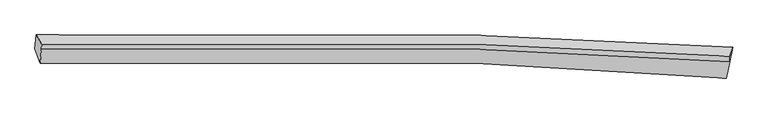
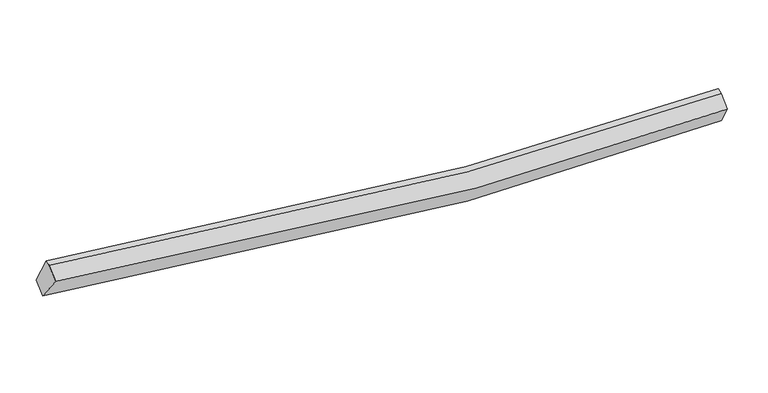
"""IFC4 building model written with IfcOpenShell, lengths in millimetres: proxy geometry."""

from ifc_helpers import new_model, si_unit, frame, origin, place, context, project, spatial, source, transform, mapped, element, save
from ifc_brep_helpers import plane_surface, spline_curve, spline_surface, advanced_brep


def generic_models_b6aabbba(model_context):
    return source(origin(), model_context, "Body", "AdvancedBrep", [
        advanced_brep(
        [(-9559.7626066, -1951.2644872, 3424.8929844), (-9524.3053132, -1588.2804115, 3653.94093), (8799.810037, -1915.179892, 2472.1532423), (8700.0551565, -2342.2856292, 2311.410687), (-9423.4654313, -2332.4708191, 4020.2960517), (8636.9369522, -2722.6371071, 2899.144759), (-9388.7936888, -1964.7845004, 4246.3143517), (8724.644978, -2296.5045965, 3058.46944), (-9383.0125226, -1828.6860488, 4296.0012674), (8731.0241958, -2146.3269947, 3113.2963815)],
        [
            (0, 1),
            (1, 2, spline_curve(3, [(-9524.3053132, -1588.2804115, 3653.94093), (-5697.490029213, -1473.172828333, 2913.188522096), (-1844.777954206, -1474.64488529, 2483.541731919), (4280.468482366, -1661.076610075, 2296.33700882), (6535.794857559, -1768.571046814, 2332.054569744), (8799.810037, -1915.179892, 2472.1532423)], [4, 2, 4], [0.0, 38.184886126215154, 60.30302248348012])),
            (2, 3),
            (3, 0, spline_curve(3, [(8700.0551565, -2342.2856292, 2311.410687), (6473.515985164, -2165.061366174, 2120.038161401), (4244.803363893, -2035.305306095, 2048.790096484), (-1837.498088278, -1810.95518751, 2182.046997962), (-5695.391387383, -1810.370868086, 2624.455828975), (-9559.7626066, -1951.2644872, 3424.8929844)], [4, 2, 4], [0.0, 22.118136357264966, 60.30302248348012])),
            (4, 0),
            (3, 5),
            (5, 4, spline_curve(3, [(8636.9369522, -2722.6371071, 2899.144759), (6434.369446533, -2545.888166007, 2719.283066927), (4229.778532096, -2416.471422133, 2655.667758224), (-1786.348278712, -2192.675610983, 2799.161438331), (-5601.891492037, -2192.036926421, 3236.493845538), (-9423.4654313, -2332.4708191, 4020.2960517)], [4, 2, 4], [0.0, 21.965615119571808, 59.887187646527515])),
            (6, 4),
            (5, 7),
            (7, 6, spline_curve(3, [(8724.644978, -2296.5045965, 3058.46944), (6489.889331817, -2147.541617862, 2920.780267094), (4262.538024569, -2038.340333194, 2886.860067667), (-1789.938994455, -1849.019804393, 3077.296190976), (-5600.400575265, -1847.647724434, 3507.16469441), (-9388.7936888, -1964.7845004, 4246.3143517)], [4, 2, 4], [0.0, 21.871179620513885, 59.62971812328452])),
            (8, 6),
            (7, 9),
            (9, 8, spline_curve(3, [(8731.0241958, -2146.3269947, 3113.2963815), (6496.10102172, -2001.307917462, 2974.167366548), (4268.6168138, -1895.235332552, 2939.104938891), (-1784.128136055, -1712.222341442, 3127.238302713), (-5594.656167788, -1712.414610773, 3556.53569157), (-9383.0125226, -1828.6860488, 4296.0012674)], [4, 2, 4], [0.0, 21.898307736917147, 59.70368038606183])),
            (1, 8),
            (9, 2),
            (7, 2),
            (3, 7),
        ],
        [
            spline_surface(3, 3, [[(-9559.7626066, -1951.2644872, 3424.8929844), (-5695.391387937, -1810.370867451, 2624.45582922), (-1837.49808803, -1810.955187959, 2182.046998117), (4244.803363749, -2035.305305836, 2048.790096393), (6473.515984915, -2165.061366051, 2120.0381617), (8700.0551565, -2342.2856292, 2311.410687)], [(-9547.943508806, -1830.269795291, 3501.242299596), (-5696.090935224, -1697.971520976, 2720.700060259), (-1839.92471024, -1698.85175371, 2282.545242727), (4256.691736694, -1910.562407266, 2131.305733878), (6494.27560913, -2032.897926207, 2190.710297798), (8733.306783334, -2199.917050147, 2364.991538751)], [(-9536.124410994, -1709.275103409, 3577.591614804), (-5696.790482493, -1585.572174529, 2816.94429131), (-1842.351332422, -1586.748319456, 2383.04348731), (4268.580109668, -1785.819508692, 2213.821371335), (6515.035233343, -1900.734486324, 2261.382433945), (8766.558410166, -2057.548471053, 2418.572390549)], [(-9524.3053132, -1588.2804115, 3653.94093), (-5697.490029779, -1473.172828055, 2913.188522349), (-1844.777954632, -1474.644885208, 2483.541731919), (4280.468482613, -1661.076610122, 2296.337008819), (6535.794857558, -1768.57104648, 2332.054570043), (8799.810037, -1915.179892, 2472.1532423)]], [4, 4], [4, 2, 4], [0.0, 1.4722962549441707], [0.0, 38.184886126215154, 60.30302248348012]),
            spline_surface(3, 3, [[(-9423.4654313, -2332.4708191, 4020.2960517), (-5601.891492149, -2192.036925947, 3236.493845533), (-1786.348278793, -2192.675611412, 2799.161438794), (4229.778532143, -2416.471421885, 2655.667757956), (6434.369446612, -2545.888165775, 2719.283067152), (8636.9369522, -2722.6371071, 2899.144759)], [(-9468.897823048, -2205.402041802, 3821.828362601), (-5633.05812406, -2064.81490645, 3032.48117343), (-1803.398215212, -2065.435470275, 2593.456625252), (4234.786809338, -2289.416049883, 2453.375204119), (6447.418292709, -2418.945899185, 2519.534765346), (8657.976353629, -2595.853281118, 2703.233401678)], [(-9514.330214852, -2078.333264498, 3623.360673499), (-5664.224756026, -1937.592886947, 2828.468501323), (-1820.448151611, -1938.195329096, 2387.75181166), (4239.795086554, -2162.360677838, 2251.082650231), (6460.467138819, -2292.003632641, 2319.786463506), (8679.015755071, -2469.069455182, 2507.322044322)], [(-9559.7626066, -1951.2644872, 3424.8929844), (-5695.391387937, -1810.370867451, 2624.45582922), (-1837.49808803, -1810.955187959, 2182.046998117), (4244.803363749, -2035.305305836, 2048.790096393), (6473.515984915, -2165.061366051, 2120.0381617), (8700.0551565, -2342.2856292, 2311.410687)]], [4, 4], [4, 2, 4], [0.0, 2.372320119938624], [0.0, 37.92157252695571, 59.887187646527515]),
            spline_surface(3, 3, [[(-9388.7936888, -1964.7845004, 4246.3143517), (-5600.400575714, -1847.647724161, 3507.164694846), (-1789.938994357, -1849.019804495, 3077.296191219), (4262.538024512, -2038.340333135, 2886.860067527), (6489.889332107, -2147.541618196, 2920.78026726), (8724.644978, -2296.5045965, 3058.46944)], [(-9400.350936327, -2087.346606645, 4170.974918382), (-5600.897547886, -1962.444124767, 3416.941078424), (-1788.742089163, -1963.571740147, 2984.584607048), (4251.618193728, -2164.384029398, 2809.795964308), (6471.382703594, -2280.323800736, 2853.614533897), (8695.408969385, -2438.548766714, 3005.361213006)], [(-9411.908183773, -2209.908712855, 4095.635485018), (-5601.394519977, -2077.24052534, 3326.717461956), (-1787.545183987, -2078.12367576, 2891.873022965), (4240.698362926, -2290.427725623, 2732.731861175), (6452.876075125, -2413.105983234, 2786.448800515), (8666.172960815, -2580.592936886, 2952.252985994)], [(-9423.4654313, -2332.4708191, 4020.2960517), (-5601.891492149, -2192.036925947, 3236.493845533), (-1786.348278793, -2192.675611412, 2799.161438794), (4229.778532143, -2416.471421885, 2655.667757956), (6434.369446612, -2545.888165775, 2719.283067152), (8636.9369522, -2722.6371071, 2899.144759)]], [4, 4], [4, 2, 4], [0.0, 1.4474991382176285], [0.0, 37.758538502770634, 59.62971812328452]),
            spline_surface(3, 3, [[(-9383.0125226, -1828.6860488, 4296.0012674), (-5594.656167224, -1712.41461138, 3556.535692059), (-1784.128135738, -1712.22234165, 3127.238302483), (4268.616813617, -1895.235332432, 2939.104939025), (6496.101021569, -2001.307917464, 2974.167366661), (8731.0241958, -2146.3269947, 3113.2963815)], [(-9384.939577979, -1874.052199325, 4279.43896215), (-5596.570970033, -1757.492315632, 3540.078692971), (-1786.065088609, -1757.821495909, 3110.590932071), (4266.590550584, -1942.93699931, 2921.689981868), (6494.030458413, -2050.052484354, 2956.371666854), (8728.897789865, -2196.38619528, 3095.020734327)], [(-9386.866633421, -1919.418349875, 4262.87665695), (-5598.485772905, -1802.570019908, 3523.621693934), (-1788.002041486, -1803.420650237, 3093.943561631), (4264.564287544, -1990.638666257, 2904.275024684), (6491.959895263, -2098.797051306, 2938.575967066), (8726.771383935, -2246.44539592, 3076.745087173)], [(-9388.7936888, -1964.7845004, 4246.3143517), (-5600.400575714, -1847.647724161, 3507.164694846), (-1789.938994357, -1849.019804495, 3077.296191219), (4262.538024512, -2038.340333135, 2886.860067527), (6489.889332107, -2147.541618196, 2920.78026726), (8724.644978, -2296.5045965, 3058.46944)]], [4, 4], [4, 2, 4], [0.0, 0.4844423627264859], [0.0, 37.80537264914469, 59.70368038606183]),
            spline_surface(3, 3, [[(-9524.3053132, -1588.2804115, 3653.94093), (-5697.490029779, -1473.172828055, 2913.188522349), (-1844.777954632, -1474.644885208, 2483.541731919), (4280.468482613, -1661.076610122, 2296.337008819), (6535.794857558, -1768.57104648, 2332.054570043), (8799.810037, -1915.179892, 2472.1532423)], [(-9477.20771634, -1668.415623937, 3867.961042471), (-5663.212075601, -1552.920089167, 3127.637578923), (-1824.561348327, -1553.837370684, 2698.107255435), (4276.517926288, -1739.129517554, 2510.592985549), (6522.563578916, -1846.150003483, 2546.09216892), (8776.881423287, -1992.228926241, 2685.867622038)], [(-9430.11011946, -1748.550836363, 4081.981154929), (-5628.934121403, -1632.667350268, 3342.086635484), (-1804.344742043, -1633.029856175, 2912.672778968), (4272.567369941, -1817.182425, 2724.848962295), (6509.332300212, -1923.728960462, 2760.129767784), (8753.952809513, -2069.277960459, 2899.582001762)], [(-9383.0125226, -1828.6860488, 4296.0012674), (-5594.656167224, -1712.41461138, 3556.535692059), (-1784.128135738, -1712.22234165, 3127.238302483), (4268.616813617, -1895.235332432, 2939.104939025), (6496.101021569, -2001.307917464, 2974.167366661), (8731.0241958, -2146.3269947, 3113.2963815)]], [4, 4], [4, 2, 4], [0.0, 2.253549671977612], [0.0, 38.023033149604466, 60.04741811542435]),
            plane_surface(frame((-9455.8679125, -1933.0972534, 3928.2891171), z_axis=(-0.9786052451936988, -0.03259650740612799, 0.20314832459142526), x_axis=(-0.0823303237650929, -0.8428335505957881, -0.5318395658267934))),
            plane_surface(frame((8751.8264036, -2119.3371611, 2881.3063546), z_axis=(0.9941462381518256, -0.07172727206988619, 0.08079885896463275), x_axis=(0.10685385272302299, 0.5420871663286376, -0.8335009047745747))),
            plane_surface(frame((8687.2123622, -2453.8091109, 2756.3416287), z_axis=(0.9807422393674291, -0.1942405394535161, -0.020378242155972122), x_axis=(-0.189303104339856, -0.9197357522175144, -0.3438756763427397))),
            plane_surface(frame((8741.5033905, -2184.6567059, 2614.0111231), z_axis=(0.9751496295555738, -0.22076777363871083, -0.018568524449574478), x_axis=(-0.032836163061275896, -0.06113397168182416, -0.9975893062286801))),
        ],
        [
            (0, [[1, 2, 3, 4]]),
            (1, [[5, -4, 6, 7]]),
            (2, [[8, -7, 9, 10]]),
            (3, [[11, -10, 12, 13]]),
            (4, [[14, -13, 15, -2]]),
            (5, [[-1, -5, -8, -11, -14]]),
            (6, [[16, -15, -12]]),
            (7, [[-9, -6, 17]]),
            (8, [[-17, -3, -16]]),
        ],
    ),
    ])


if __name__ == "__main__":
    model = new_model("IFC4")
    model_context = context("Model", 3, world=origin())
    ifc_project = project(units=[si_unit("LENGTHUNIT", "METRE", prefix="MILLI")], contexts=[model_context])
    site = spatial("IfcSite", under=ifc_project)
    building = spatial("IfcBuilding", under=site)
    placement = place(None, origin())
    generic_models_shape = generic_models_b6aabbba(model_context)
    element("IfcBuildingElementProxy", 1, Name="Generic Models", at=placement, inside=building, context=model_context, shape_type="MappedRepresentation", body=[
        mapped(generic_models_shape, transform((0.0, 0.0, 0.0), x_axis=(1.0, 0.0, 0.0), y_axis=(0.0, 1.0, 0.0), z_axis=(0.0, 0.0, 1.0))),
    ])
    save(model, "model.ifc")
